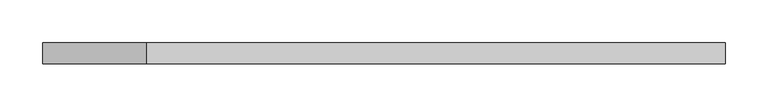
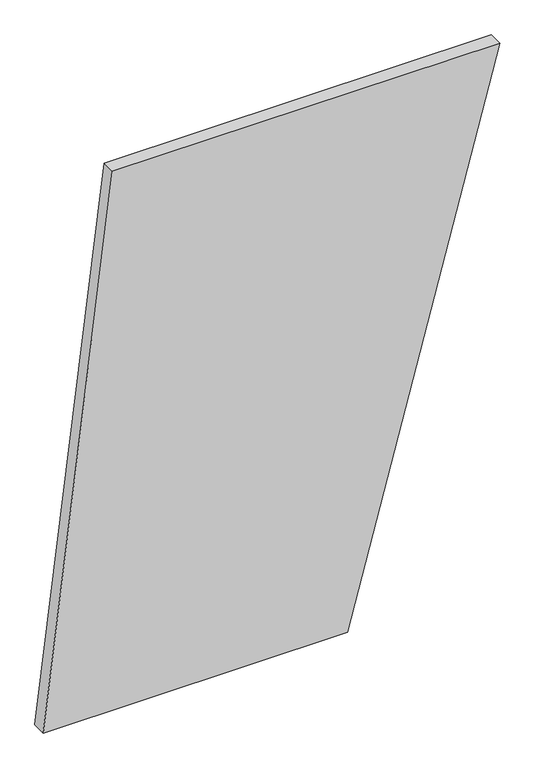
"""IFC4 building model written with IfcOpenShell, lengths in millimetres: plate geometry."""

from ifc_helpers import new_model, si_unit, frame, origin, place, context, project, spatial, polyline, outline, extrude, source, transform, mapped, element, save


def plate_bf1d0e89(model_context):
    return source(origin(), model_context, "Body", "SweptSolid", [
        extrude(outline(polyline([(0.0, -401.254875), (0.0, 133.3056826), (1000.0, 401.254875), (1000.0, -279.5429419), (0.0, -401.254875)])), frame((0.0, 24.5, 0.0), z_axis=(0.0, 1.0, 0.0), x_axis=(0.0, 0.0, 1.0)), (0.0, 0.0, 1.0), 25.0),
    ])


if __name__ == "__main__":
    model = new_model("IFC4")
    model_context = context("Model", 3, world=origin())
    ifc_project = project(units=[si_unit("LENGTHUNIT", "METRE", prefix="MILLI")], contexts=[model_context])
    site = spatial("IfcSite", under=ifc_project)
    building = spatial("IfcBuilding", under=site)
    placement = place(None, origin())
    plate_shape = plate_bf1d0e89(model_context)
    element("IfcPlate", 1, at=placement, inside=building, context=model_context, shape_type="MappedRepresentation", body=[
        mapped(plate_shape, transform((0.0, 0.0, 0.0), x_axis=(1.0, 0.0, 0.0), y_axis=(0.0, 1.0, 0.0), z_axis=(0.0, 0.0, 1.0))),
    ])
    save(model, "model.ifc")
